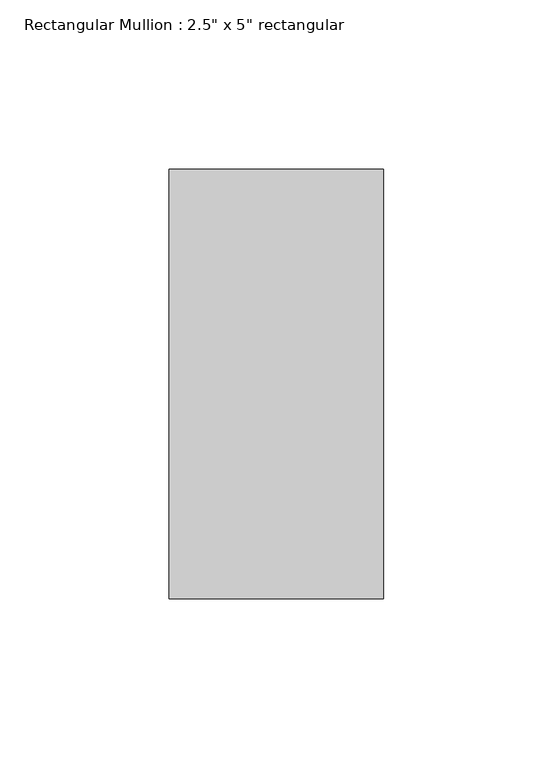
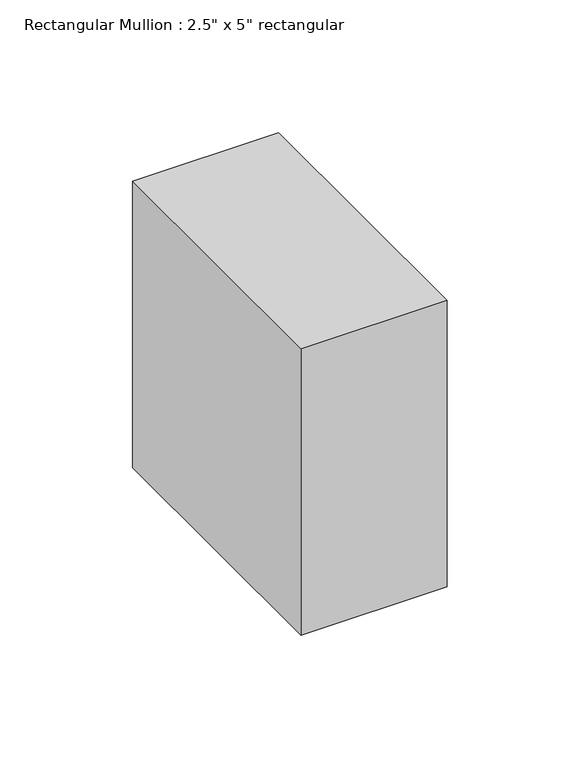
"""IFC4 building model written with IfcOpenShell, lengths in millimetres: member geometry."""

from ifc_helpers import new_model, si_unit, frame, origin, place, context, project, spatial, polyline, outline, extrude, source, transform, mapped, element, save


def member_bfb88edb(model_context):
    return source(origin(), model_context, "Body", "SweptSolid", [
        extrude(outline(polyline([(31.75, 63.5), (31.75, -63.5), (-31.75, -63.5), (-31.75, 63.5), (31.75, 63.5)])), frame((0.0, 0.0, -131.7425621), z_axis=(0.0, 0.0, 1.0), x_axis=(1.0, 0.0, 0.0)), (0.0, 0.0, 1.0), 131.7425621),
    ])


if __name__ == "__main__":
    model = new_model("IFC4")
    model_context = context("Model", 3, world=origin())
    ifc_project = project(units=[si_unit("LENGTHUNIT", "METRE", prefix="MILLI")], contexts=[model_context])
    site = spatial("IfcSite", under=ifc_project)
    building = spatial("IfcBuilding", under=site)
    placement = place(None, origin())
    member_shape = member_bfb88edb(model_context)
    element("IfcMember", 1, ObjectType="Rectangular Mullion : 2.5\" x 5\" rectangular", at=placement, inside=building, context=model_context, shape_type="MappedRepresentation", body=[
        mapped(member_shape, transform((0.0, 0.0, 0.0), x_axis=(1.0, 0.0, 0.0), y_axis=(0.0, 1.0, 0.0), z_axis=(0.0, 0.0, 1.0))),
    ])
    save(model, "model.ifc")
